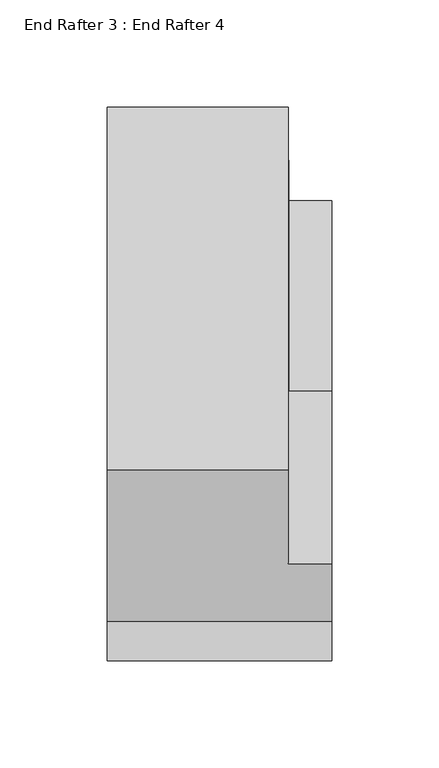
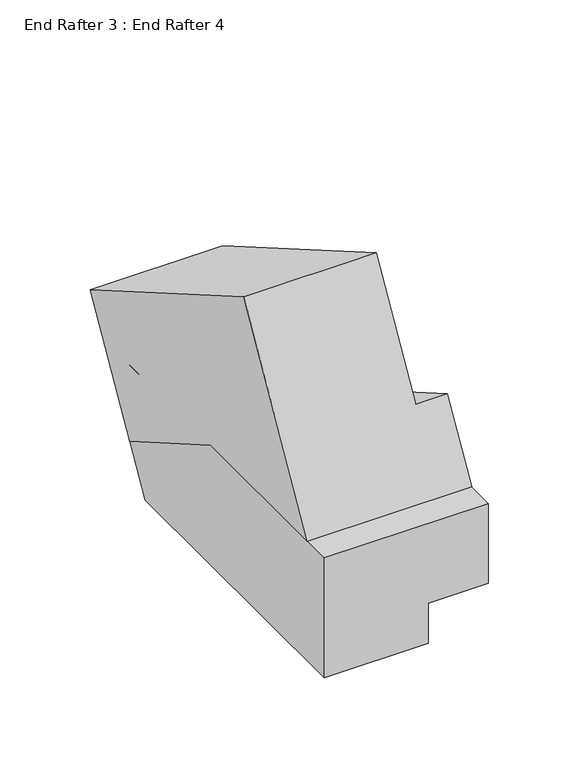
"""IFC4 building model written with IfcOpenShell, lengths in millimetres: proxy geometry, End Rafter 3 : End Rafter 4."""

from ifc_helpers import new_model, si_unit, origin, place, context, project, spatial, faceted_brep, source, transform, mapped, element, save


def end_rafter_3_end_rafter_4_27ff61b5(model_context):
    return source(origin(), model_context, "Body", "Brep", [
        faceted_brep([(12080.2539169, -18097.1635093, -36.9430969), (12080.2539169, -18177.7433625, 9.579703), (12080.2539169, -18204.6033136, -36.9430969), (11975.3026877, -18204.6033136, -36.9430969), (11975.3026877, -18097.624003, -36.9430969), (12059.99903, -18097.624003, -36.9430969), (12059.99903, -18097.1635093, -36.9430969), (12059.99903, -18177.6801539, 9.5432095), (12059.99903, -18008.192478, -88.576412), (12059.99903, -17964.3101189, -12.5699365), (12059.99903, -18133.9129183, 85.3502853), (11975.3026877, -17964.3101189, -12.5699365), (11975.3026877, -18133.9129183, 85.3502853), (11975.3026877, -18008.192478, -88.576412)], [[[0, 1, 2]], [[0, 2, 3, 4, 5, 6]], [[1, 0, 6, 7]], [[8, 9, 10, 7, 6, 5]], [[10, 9, 11, 12]], [[9, 8, 13, 11]], [[13, 8, 5, 4]], [[10, 12, 3, 2, 1, 7]], [[12, 11, 13, 4, 3]]]),
        faceted_brep([(11975.3026877, -17989.2186851, -55.721214), (11975.3026877, -17989.2186851, -36.9430969), (12060.1169562, -17989.2186851, -36.9430969), (12060.1169562, -17989.2186851, -55.721214), (12080.2539169, -18223.1173045, -36.9430969), (11975.3026877, -18223.1173045, -36.9430969), (11975.3026877, -18223.1173045, -117.9055969), (12041.8101612, -18223.1173045, -117.9055969), (12041.8101612, -18223.1173045, -90.9180969), (12080.2539169, -18223.1173045, -90.9180969), (12080.2539169, -18097.1635093, -36.9430969), (12060.1169562, -18097.1635093, -36.9430969), (11975.3026877, -18025.1300074, -117.9055969), (12041.8101612, -18025.1300074, -117.9055969), (12041.8101612, -18009.544795, -90.9180969), (12080.2539169, -18009.544795, -90.9180969), (12080.2539169, -18008.0773325, -88.3770251), (12060.1169562, -18008.0773326, -88.3770251)], [[[0, 1, 2, 3]], [[4, 5, 6, 7, 8, 9]], [[5, 4, 10, 11, 2, 1]], [[6, 5, 1, 0, 12]], [[7, 6, 12, 13]], [[8, 7, 13, 14]], [[9, 8, 14, 15]], [[4, 9, 15, 16, 10]], [[12, 0, 3, 17, 16, 15, 14, 13]], [[11, 17, 3, 2]], [[17, 11, 10, 16]]]),
    ])


if __name__ == "__main__":
    model = new_model("IFC4")
    model_context = context("Model", 3, world=origin())
    ifc_project = project(units=[si_unit("LENGTHUNIT", "METRE", prefix="MILLI")], contexts=[model_context])
    site = spatial("IfcSite", under=ifc_project)
    building = spatial("IfcBuilding", under=site)
    placement = place(None, origin())
    end_rafter_3_end_rafter_4_shape = end_rafter_3_end_rafter_4_27ff61b5(model_context)
    element("IfcBuildingElementProxy", 1, Name="End Rafter 3 : End Rafter 4", ObjectType="End Rafter 3 : End Rafter 4", at=placement, inside=building, context=model_context, shape_type="MappedRepresentation", body=[
        mapped(end_rafter_3_end_rafter_4_shape, transform((0.0, 0.0, 0.0), x_axis=(1.0, 0.0, 0.0), y_axis=(0.0, 1.0, 0.0), z_axis=(0.0, 0.0, 1.0))),
    ])
    save(model, "model.ifc")
